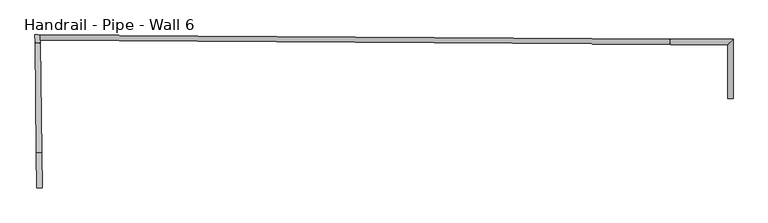
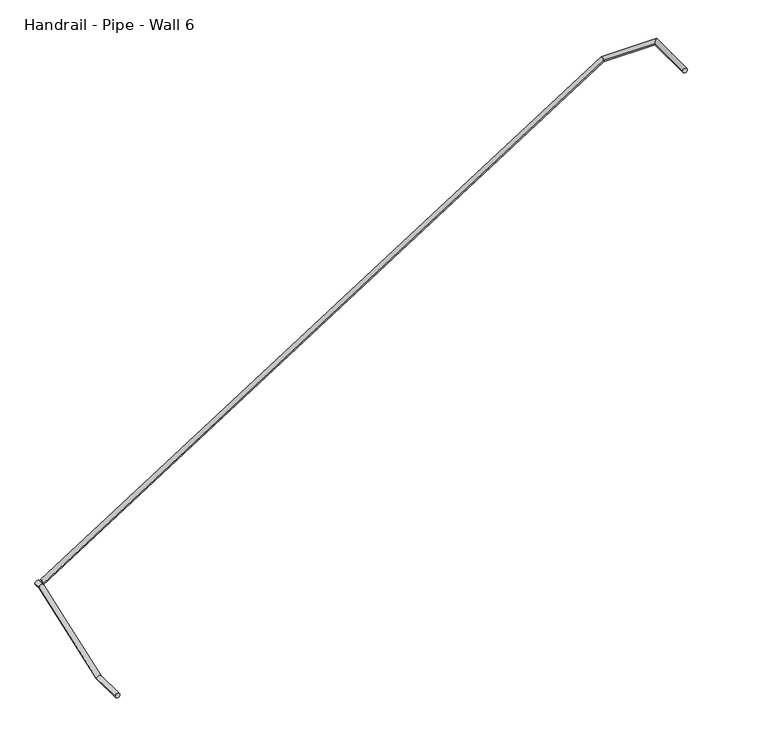
"""IFC4 building model written with IfcOpenShell, lengths in millimetres: railing geometry, Handrail - Pipe - Wall 6."""

from ifc_helpers import new_model, si_unit, frame, origin, place, context, project, spatial, circle_curve, ellipse_curve, source, transform, mapped, element, save
from ifc_brep_helpers import plane_surface, cylinder_surface, advanced_brep


def handrail_pipe_wall_6_061b1a74(model_context):
    return source(origin(), model_context, "Body", "AdvancedBrep", [
        advanced_brep(
        [(-24598.6712135, 37134.9837895, -12892.5767034), (-24598.2223299, 37096.8801108, -12892.1297768), (-20216.6469991, 37106.7776678, -10071.1), (-20216.8922353, 37068.678457, -10071.1), (-19781.5026343, 37103.9767396, -10071.1), (-19819.6026343, 37066.1211916, -10071.1), (-19781.5026343, 36691.3897076, -10071.1), (-19819.6026343, 36691.3897076, -10071.1)],
        [
            (0, 1, ellipse_curve(frame((-24598.4467717, 37115.9319502, -12892.3532401), z_axis=(-0.9999306161326725, -0.011779767422743661, 0.0), x_axis=(-0.0003331322543476956, 0.02827807446353717, -0.9996000397796789)), 22.6609148, 19.05)),
            (1, 0, ellipse_curve(frame((-24598.4467717, 37115.9319502, -12892.3532401), z_axis=(-0.9999306161326725, -0.011779767422743661, 0.0), x_axis=(-0.0003331322543476956, 0.02827807446353717, -0.9996000397796789)), 22.6609148, 19.05)),
            (0, 2),
            (2, 3, ellipse_curve(frame((-20216.7696172, 37087.7280624, -10071.1), z_axis=(-0.9593533602237238, 0.0061751456194336736, -0.28214003226062956), x_axis=(0.2821341876117524, -0.0018160354307071237, -0.9593732340418774)), 19.8567141, 19.05)),
            (3, 1),
            (3, 2, ellipse_curve(frame((-20216.7696172, 37087.7280624, -10071.1), z_axis=(-0.9593533602237238, 0.0061751456194336736, -0.28214003226062956), x_axis=(0.2821341876117524, -0.0018160354307071237, -0.9593732340418774)), 19.8567141, 19.05)),
            (2, 4),
            (4, 5, ellipse_curve(frame((-19800.5526343, 37085.0489656, -10071.1), z_axis=(-0.7048274094703564, 0.7093788288772837, 0.0), x_axis=(-0.7093788288772839, -0.7048274094703564, 0.0)), 26.8544806, 19.05)),
            (5, 3),
            (5, 4, ellipse_curve(frame((-19800.5526343, 37085.0489656, -10071.1), z_axis=(-0.7048274094703564, 0.7093788288772837, 0.0), x_axis=(-0.7093788288772839, -0.7048274094703564, 0.0)), 26.8544806, 19.05)),
            (6, 7, circle_curve(frame((-19800.5526343, 36691.3897076, -10071.1), z_axis=(0.0, -1.0, 0.0), x_axis=(-1.0, 0.0, 0.0)), 19.05)),
            (7, 6, circle_curve(frame((-19800.5526343, 36691.3897076, -10071.1), z_axis=(0.0, -1.0, 0.0), x_axis=(-1.0, 0.0, 0.0)), 19.05)),
            (4, 6),
            (7, 5),
        ],
        [
            plane_surface(frame((-24598.4467717, 37115.9319502, -12869.6960852), z_axis=(-0.9999306161326725, -0.011779767422743661, 0.0), x_axis=(0.011779767422743661, -0.9999306161326725, 0.0))),
            cylinder_surface(frame((-24588.1341689, 37115.8655702, -12885.713211), z_axis=(-0.8407765869921698, 0.005411893128589462, -0.5413551904051197), x_axis=(-0.006436645718594671, -0.9999792845813824, 0.0)), 19.05),
            cylinder_surface(frame((-20222.3718751, 37087.7641229, -10071.1), z_axis=(-0.9999792845813823, 0.00643664571860177, 0.0), x_axis=(-0.00643664571860177, -0.9999792845813823, 0.0)), 19.05),
            plane_surface(frame((-19800.5526343, 36691.3897076, -10052.05), z_axis=(0.0, -1.0, 0.0), x_axis=(0.0, 0.0, -1.0))),
            cylinder_surface(frame((-19800.5526343, 37085.0489656, -10071.1), z_axis=(0.0, 1.0, 0.0), x_axis=(-1.0, 0.0, 0.0)), 19.05),
        ],
        [
            (0, [[1, 2]]),
            (1, [[-1, 3, 4, 5]]),
            (1, [[-2, -5, 6, -3]]),
            (2, [[-4, 7, 8, 9]]),
            (2, [[-6, -9, 10, -7]]),
            (3, [[11, 12]]),
            (4, [[-8, 13, -12, 14]]),
            (4, [[-10, -14, -11, -13]]),
        ],
    ),
        advanced_brep(
        [(-24589.0482304, 36318.132734, -13188.95), (-24627.1455868, 36317.6839248, -13188.95), (-24636.1443091, 37081.5443243, -12896.85), (-24598.0469526, 37081.9931334, -12896.85), (-24636.7767467, 37135.2290664, -12896.85), (-24598.6712135, 37134.9837895, -12896.85), (-24624.2212187, 36069.4476783, -13188.95), (-24586.1238622, 36069.8964874, -13188.95)],
        [
            (0, 1, ellipse_curve(frame((-24608.0969086, 36317.9083294, -13188.95), z_axis=(-0.011583907065995264, 0.9833049256495482, 0.18159635538860128), x_axis=(-0.0021391628311280254, 0.18158375553117492, -0.9833731558821283)), 19.3720968, 19.05)),
            (1, 2),
            (2, 3, ellipse_curve(frame((-24617.0956308, 37081.7687289, -12896.85), z_axis=(0.011583907066043569, -0.9833049256495475, -0.18159635538860122), x_axis=(-0.0021391628313896043, 0.1815837555311712, -0.9833731558821285)), 19.3720968, 19.05)),
            (3, 0),
            (1, 0, ellipse_curve(frame((-24608.0969086, 36317.9083294, -13188.95), z_axis=(-0.011583907065995264, 0.9833049256495482, 0.18159635538860128), x_axis=(-0.0021391628311280254, 0.18158375553117492, -0.9833731558821283)), 19.3720968, 19.05)),
            (3, 2, ellipse_curve(frame((-24617.0956308, 37081.7687289, -12896.85), z_axis=(0.011583907066043569, -0.9833049256495475, -0.18159635538860122), x_axis=(-0.0021391628313896043, 0.1815837555311712, -0.9833731558821285)), 19.3720968, 19.05)),
            (4, 5, ellipse_curve(frame((-24617.7239801, 37135.1064279, -12896.85), z_axis=(0.00643664571859467, 0.9999792845813824, 0.0), x_axis=(0.9999792845813823, -0.006436645718589333, 0.0)), 19.0531613, 19.05)),
            (5, 4, ellipse_curve(frame((-24617.7239801, 37135.1064279, -12896.85), z_axis=(0.00643664571859467, 0.9999792845813824, 0.0), x_axis=(0.9999792845813823, -0.006436645718589333, 0.0)), 19.0531613, 19.05)),
            (2, 4),
            (5, 3),
            (6, 7, circle_curve(frame((-24605.1725404, 36069.6720828, -13188.95), z_axis=(0.011779767422648657, -0.9999306161326736, 0.0), x_axis=(0.9999306161326736, 0.011779767422648657, 0.0)), 19.05)),
            (7, 6, circle_curve(frame((-24605.1725404, 36069.6720828, -13188.95), z_axis=(0.011779767422648657, -0.9999306161326736, 0.0), x_axis=(0.9999306161326736, 0.011779767422648657, 0.0)), 19.05)),
            (6, 1),
            (0, 7),
        ],
        [
            cylinder_surface(frame((-24608.1356155, 36321.1939822, -13187.6935673), z_axis=(0.01100283907521744, -0.933980719728202, -0.3571539621903628), x_axis=(0.9999306161326731, 0.011779767422703268, 0.0)), 19.05),
            plane_surface(frame((-24617.7239801, 37135.1064279, -12877.8), z_axis=(0.00643664571859467, 0.9999792845813824, 0.0), x_axis=(0.9999792845813824, -0.00643664571859467, 0.0))),
            cylinder_surface(frame((-24617.0541907, 37078.2510708, -12896.85), z_axis=(0.011779767422743665, -0.9999306161326725, 0.0), x_axis=(0.9999306161326725, 0.011779767422743665, 0.0)), 19.05),
            plane_surface(frame((-24605.1725404, 36069.6720828, -13169.9), z_axis=(0.011779767422648657, -0.9999306161326736, 0.0), x_axis=(0.9999306161326736, 0.011779767422648657, 0.0))),
            cylinder_surface(frame((-24605.1725404, 36069.6720828, -13188.95), z_axis=(0.011779767422648657, -0.9999306161326736, 0.0), x_axis=(0.9999306161326736, 0.011779767422648657, 0.0)), 19.05),
        ],
        [
            (0, [[1, 2, 3, 4]]),
            (0, [[5, -4, 6, -2]]),
            (1, [[7, 8]]),
            (2, [[-3, 9, -8, 10]]),
            (2, [[-6, -10, -7, -9]]),
            (3, [[11, 12]]),
            (4, [[-11, 13, -1, 14]]),
            (4, [[-12, -14, -5, -13]]),
        ],
    ),
    ])


if __name__ == "__main__":
    model = new_model("IFC4")
    model_context = context("Model", 3, world=origin())
    ifc_project = project(units=[si_unit("LENGTHUNIT", "METRE", prefix="MILLI")], contexts=[model_context])
    site = spatial("IfcSite", under=ifc_project)
    building = spatial("IfcBuilding", under=site)
    placement = place(None, origin())
    handrail_pipe_wall_6_shape = handrail_pipe_wall_6_061b1a74(model_context)
    element("IfcRailing", 1, ObjectType="Handrail - Pipe - Wall 6", at=placement, inside=building, context=model_context, shape_type="MappedRepresentation", body=[
        mapped(handrail_pipe_wall_6_shape, transform((0.0, 0.0, 0.0), x_axis=(1.0, 0.0, 0.0), y_axis=(0.0, 1.0, 0.0), z_axis=(0.0, 0.0, 1.0))),
    ])
    save(model, "model.ifc")
